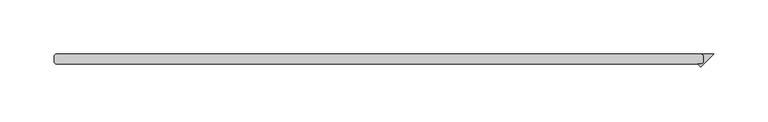
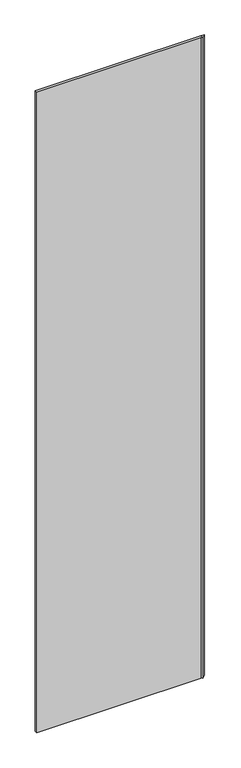
"""IFC4 building model written with IfcOpenShell, lengths in millimetres: plate geometry."""

from ifc_helpers import new_model, si_unit, origin, origin_with_axes, place, context, project, spatial, polyline, outline, extrude, source, transform, mapped, element, save


def plate_8a8eb24e(model_context):
    return source(origin(), model_context, "Body", "SweptSolid", [
        extrude(outline(polyline([(282.178125, -26.9875), (280.590625, -25.4), (291.703125, -25.4), (279.468093, -37.635032), (276.758061, -34.925), (280.590625, -34.925), (282.178125, -33.3375), (282.178125, -26.9875)])), origin_with_axes(), (0.0, 0.0, 1.0), 2428.7789267),
        extrude(outline(polyline([(280.590625, -25.4), (282.178125, -26.9875), (282.178125, -33.3375), (280.590625, -34.925), (-315.515625, -34.925), (-317.103125, -33.3375), (-317.103125, -26.9875), (-315.515625, -25.4), (280.590625, -25.4)])), origin_with_axes(), (0.0, 0.0, 1.0), 2428.7789267),
    ])


if __name__ == "__main__":
    model = new_model("IFC4")
    model_context = context("Model", 3, world=origin())
    ifc_project = project(units=[si_unit("LENGTHUNIT", "METRE", prefix="MILLI")], contexts=[model_context])
    site = spatial("IfcSite", under=ifc_project)
    building = spatial("IfcBuilding", under=site)
    placement = place(None, origin())
    plate_shape = plate_8a8eb24e(model_context)
    element("IfcPlate", 1, at=placement, inside=building, context=model_context, shape_type="MappedRepresentation", body=[
        mapped(plate_shape, transform((0.0, 0.0, 0.0), x_axis=(1.0, 0.0, 0.0), y_axis=(0.0, 1.0, 0.0), z_axis=(0.0, 0.0, 1.0))),
    ])
    save(model, "model.ifc")
